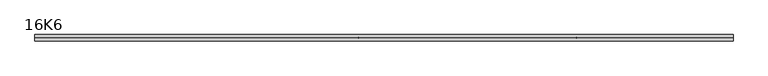
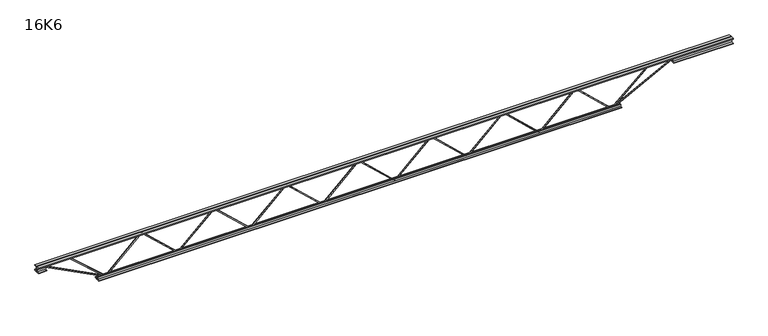
"""IFC4 building model written with IfcOpenShell, lengths in millimetres: beam geometry, 16K6."""

import ifcopenshell
import ifcopenshell.guid

model = None  # the IFC model being written
_history = None  # IfcOwnerHistory: only IFC2X3 demands one
_inside = {}  # id of a spatial element -> (the spatial element, [elements in it])
_under = {}  # id of a project, library or spatial element -> (it, [spatial elements below it])
_declared = {}  # id of a project -> (the project, [libraries it declares])
_typed = {}  # id of a type object -> (the type object, [elements of that type])
_made_of = {}  # id of a material, layer set ... -> (it, [elements and type objects made of it])


def new_model(schema):
    """Start an empty IFC model of exactly this schema.

    Asked for "IFC4X3", IfcOpenShell would pick the latest addendum, in which some entities
    have other attributes; the version numbers below select the first issue.
    IFC2X3 requires an IfcOwnerHistory on every rooted entity: one is made here for all.
    """
    global model, _history
    if schema == "IFC4X3":
        model = ifcopenshell.file(schema_version=(4, 3, 0, 0))
    else:
        model = ifcopenshell.file(schema=schema)
    _inside.clear()
    _under.clear()
    _declared.clear()
    _typed.clear()
    _made_of.clear()
    _history = None
    if model.schema == "IFC2X3":
        org = make("IfcOrganization", Name="unknown")
        user = make(
            "IfcPersonAndOrganization",
            ThePerson=make("IfcPerson", FamilyName="unknown"),
            TheOrganization=org,
        )
        app = make(
            "IfcApplication",
            ApplicationDeveloper=org,
            Version="unknown",
            ApplicationFullName="unknown",
            ApplicationIdentifier="unknown",
        )
        _history = make(
            "IfcOwnerHistory",
            OwningUser=user,
            OwningApplication=app,
            ChangeAction="ADDED",
            CreationDate=0,
        )
    return model


def make(cls, **values):
    """One entity of the class cls with the attributes given. An attribute that is None is left unset."""
    return model.create_entity(
        cls, **{name: value for name, value in values.items() if value is not None}
    )


def rooted(cls, **values):
    """An entity with a GlobalId (a new one), such as an element, a storey or a relation."""
    return make(cls, GlobalId=ifcopenshell.guid.new(), OwnerHistory=_history, **values)


def si_unit(unit_type, name, prefix=None):
    """IfcSIUnit, for example si_unit("LENGTHUNIT", "METRE", prefix="MILLI")."""
    return make("IfcSIUnit", UnitType=unit_type, Prefix=prefix, Name=name)


def assignment(units):
    """IfcUnitAssignment: the units of a project."""
    return None if units is None else make("IfcUnitAssignment", Units=units)


def point(xyz):
    """IfcCartesianPoint."""
    return None if xyz is None else make("IfcCartesianPoint", Coordinates=xyz)


def direction(xyz):
    """IfcDirection."""
    return None if xyz is None else make("IfcDirection", DirectionRatios=xyz)


def frame(location, z_axis=None, x_axis=None):
    """IfcAxis2Placement3D, a coordinate frame: its origin and axes. An axis left out is left unset."""
    return make(
        "IfcAxis2Placement3D",
        Location=point(location),
        Axis=direction(z_axis),
        RefDirection=direction(x_axis),
    )


def origin():
    """The frame at (0, 0, 0) with its axes left unset."""
    return frame((0.0, 0.0, 0.0))


def place(relative_to, where):
    """IfcLocalPlacement: puts the frame where relative to a parent placement (None: the world)."""
    return make(
        "IfcLocalPlacement", PlacementRelTo=relative_to, RelativePlacement=where
    )


def context(
    kind, dimensions, precision=None, world=None, true_north=None, identifier=None
):
    """IfcGeometricRepresentationContext, for example the 3D "Model" context."""
    return make(
        "IfcGeometricRepresentationContext",
        ContextIdentifier=identifier,
        ContextType=kind,
        CoordinateSpaceDimension=dimensions,
        Precision=precision,
        WorldCoordinateSystem=world,
        TrueNorth=true_north,
    )


def project(units=None, contexts=None):
    """IfcProject with its units and contexts."""
    return rooted(
        "IfcProject",
        Name="project",
        RepresentationContexts=contexts,
        UnitsInContext=assignment(units),
    )


def spatial(cls, under=None, at=None, **own):
    """A site, building, storey or space (cls), placed at a placement, below another one or the project."""
    s = rooted(cls, ObjectPlacement=at, **own)
    if under is not None:
        _under.setdefault(under.id(), (under, []))[1].append(s)
    return s


def polyline(points):
    """IfcPolyline through the points."""
    return make("IfcPolyline", Points=[point(p) for p in points])


def outline(outer, holes=None, kind="AREA"):
    """IfcArbitraryClosedProfileDef: a profile drawn as a closed curve; with holes, ...WithVoids."""
    if holes is None:
        return make("IfcArbitraryClosedProfileDef", ProfileType=kind, OuterCurve=outer)
    return make(
        "IfcArbitraryProfileDefWithVoids",
        ProfileType=kind,
        OuterCurve=outer,
        InnerCurves=holes,
    )


def extrude(swept, where, along, depth):
    """IfcExtrudedAreaSolid: the profile swept, set in the frame where, extruded along a direction by depth."""
    return make(
        "IfcExtrudedAreaSolid",
        SweptArea=swept,
        Position=where,
        ExtrudedDirection=direction(along),
        Depth=depth,
    )


def shape(context_of_items, identifier, shape_type, items):
    """IfcShapeRepresentation: the items that make up one representation, for example the "Body"."""
    return make(
        "IfcShapeRepresentation",
        ContextOfItems=context_of_items,
        RepresentationIdentifier=identifier,
        RepresentationType=shape_type,
        Items=items,
    )


def source(mapping_origin, context_of_items, identifier, shape_type, items):
    """IfcRepresentationMap: a shape defined once, which mapped items show again and again."""
    return make(
        "IfcRepresentationMap",
        MappingOrigin=mapping_origin,
        MappedRepresentation=shape(context_of_items, identifier, shape_type, items),
    )


def transform(
    local_origin,
    x_axis=None,
    y_axis=None,
    z_axis=None,
    scale=None,
    scale2=None,
    scale3=None,
    uniform=True,
):
    """IfcCartesianTransformationOperator3D, or its non-uniform kind. x_axis, y_axis, z_axis: its Axis1, 2, 3."""
    if uniform:
        return make(
            "IfcCartesianTransformationOperator3D",
            Axis1=direction(x_axis),
            Axis2=direction(y_axis),
            LocalOrigin=point(local_origin),
            Scale=scale,
            Axis3=direction(z_axis),
        )
    return make(
        "IfcCartesianTransformationOperator3DnonUniform",
        Axis1=direction(x_axis),
        Axis2=direction(y_axis),
        LocalOrigin=point(local_origin),
        Scale=scale,
        Axis3=direction(z_axis),
        Scale2=scale2,
        Scale3=scale3,
    )


def mapped(mapping_source, mapping_target):
    """IfcMappedItem: shows the shape of a source again, moved by a transform."""
    return make(
        "IfcMappedItem", MappingSource=mapping_source, MappingTarget=mapping_target
    )


def made_of(thing, what):
    """Note that an element or type object is made of a material, layer set ...; save() writes the relation."""
    if what is not None:
        _made_of.setdefault(what.id(), (what, []))[1].append(thing)
    return thing


def element(
    cls,
    number,
    at=None,
    inside=None,
    cuts=None,
    type_object=None,
    material=None,
    context=None,
    identifier="Body",
    shape_type=None,
    held_by="IfcProductDefinitionShape",
    body=None,
    shapes=None,
    **own,
):
    """One element of the class cls, such as IfcWall. Its Tag is "e" and its number.

    at: its placement. inside: the storey or other place that contains it. cuts: it is an
    opening in that element (IfcRelVoidsElement). A single representation is given by context,
    identifier, shape_type and body (its items); several are given by shapes. held_by: the class
    of the entity that holds the representations. save() writes the other relations.
    """
    e = rooted(cls, Tag="e%d" % number, ObjectPlacement=at, **own)
    if body is not None:
        shapes = [shape(context, identifier, shape_type, body)]
    if shapes is not None:
        e.Representation = make(held_by, Representations=shapes)
    if inside is not None:
        _inside.setdefault(inside.id(), (inside, []))[1].append(e)
    if cuts is not None:
        rooted(
            "IfcRelVoidsElement", RelatingBuildingElement=cuts, RelatedOpeningElement=e
        )
    if type_object is not None:
        _typed.setdefault(type_object.id(), (type_object, []))[1].append(e)
    return made_of(e, material)


def aggregate(whole, parts):
    """IfcRelAggregates: a whole, such as a stair, and the parts it consists of."""
    return rooted("IfcRelAggregates", RelatingObject=whole, RelatedObjects=parts)


def save(model, path):
    """Write the relations noted so far, then the file.

    IfcRelAggregates (storeys below a building ...), IfcRelContainedInSpatialStructure (elements
    in a storey), IfcRelDefinesByType, IfcRelAssociatesMaterial and IfcRelDeclares: one each for
    every whole, place, type object, material and project.
    """
    for whole, parts in _under.values():
        aggregate(whole, parts)
    for where, things in _inside.values():
        rooted(
            "IfcRelContainedInSpatialStructure",
            RelatedElements=things,
            RelatingStructure=where,
        )
    for kind, things in _typed.values():
        rooted("IfcRelDefinesByType", RelatedObjects=things, RelatingType=kind)
    for what, things in _made_of.values():
        rooted("IfcRelAssociatesMaterial", RelatedObjects=things, RelatingMaterial=what)
    for by, libraries in _declared.values():
        rooted("IfcRelDeclares", RelatingContext=by, RelatedDefinitions=libraries)
    model.write(path)


def beam_16k6_9ae82533(model_context):
    return source(origin(), model_context, "Body", "SweptSolid", [
        extrude(outline(polyline([(-191.9, 1280.452381), (-201.4, 1280.452381), (-201.4, 1285.5023042), (191.9, 1706.0808756), (191.9, 1708.6810291), (-201.4, 2129.2596006), (-201.4, 2134.3095238), (-191.9, 2134.3095238), (-191.9, 2133.0094471), (201.4, 1712.4308756), (201.4, 1702.3310291), (-191.9, 1281.7524577), (-191.9, 1280.452381)])), frame((0.0, -4.75, 0.0), z_axis=(0.0, 1.0, 0.0), x_axis=(0.0, 0.0, 1.0)), (0.0, 0.0, 1.0), 9.5),
        extrude(outline(polyline([(-191.9, 426.7619048), (-201.4, 426.7619048), (-201.4, 431.811828), (191.9, 852.3903994), (191.9, 854.9905529), (-201.4, 1275.5691244), (-201.4, 1280.6190476), (-191.9, 1280.6190476), (-191.9, 1279.3189709), (201.4, 858.7403994), (201.4, 848.6405529), (-191.9, 428.0619815), (-191.9, 426.7619048)])), frame((0.0, -4.75, 0.0), z_axis=(0.0, 1.0, 0.0), x_axis=(0.0, 0.0, 1.0)), (0.0, 0.0, 1.0), 9.5),
        extrude(outline(polyline([(-191.9, -426.9285714), (-201.4, -426.9285714), (-201.4, -421.8786482), (191.9, -1.3000768), (191.9, 1.3000768), (-201.4, 421.8786482), (-201.4, 426.9285714), (-191.9, 426.9285714), (-191.9, 425.6284947), (201.4, 5.0499232), (201.4, -5.0499232), (-191.9, -425.6284947), (-191.9, -426.9285714)])), frame((0.0, -4.75, 0.0), z_axis=(0.0, 1.0, 0.0), x_axis=(0.0, 0.0, 1.0)), (0.0, 0.0, 1.0), 9.5),
        extrude(outline(polyline([(-191.9, -1280.6190476), (-201.4, -1280.6190476), (-201.4, -1275.5691244), (191.9, -854.9905529), (191.9, -852.3903994), (-201.4, -431.811828), (-201.4, -426.7619048), (-191.9, -426.7619048), (-191.9, -428.0619815), (201.4, -848.6405529), (201.4, -858.7403994), (-191.9, -1279.3189709), (-191.9, -1280.6190476)])), frame((0.0, -4.75, 0.0), z_axis=(0.0, 1.0, 0.0), x_axis=(0.0, 0.0, 1.0)), (0.0, 0.0, 1.0), 9.5),
        extrude(outline(polyline([(-191.9, -2134.3095238), (-201.4, -2134.3095238), (-201.4, -2129.2596006), (191.9, -1708.6810291), (191.9, -1706.0808756), (-201.4, -1285.5023042), (-201.4, -1280.452381), (-191.9, -1280.452381), (-191.9, -1281.7524577), (201.4, -1702.3310291), (201.4, -1712.4308756), (-191.9, -2133.0094471), (-191.9, -2134.3095238)])), frame((0.0, -4.75, 0.0), z_axis=(0.0, 1.0, 0.0), x_axis=(0.0, 0.0, 1.0)), (0.0, 0.0, 1.0), 9.5),
        extrude(outline(polyline([(-191.9, 2134.1428571), (-201.4, 2134.1428571), (-201.4, 2139.1927804), (191.9, 2559.7713518), (191.9, 2562.3715053), (-201.4, 2982.9500768), (-201.4, 2988.0), (-191.9, 2988.0), (-191.9, 2986.6999232), (201.4, 2566.1213518), (201.4, 2556.0215053), (-191.9, 2135.4429339), (-191.9, 2134.1428571)])), frame((0.0, -4.75, 0.0), z_axis=(0.0, 1.0, 0.0), x_axis=(0.0, 0.0, 1.0)), (0.0, 0.0, 1.0), 9.5),
        extrude(outline(polyline([(-191.9, -2988.0), (-201.4, -2988.0), (-201.4, -2982.9500768), (191.9, -2562.3715053), (191.9, -2559.7713518), (-201.4, -2139.1927804), (-201.4, -2134.1428571), (-191.9, -2134.1428571), (-191.9, -2135.4429339), (201.4, -2556.0215053), (201.4, -2566.1213518), (-191.9, -2986.6999232), (-191.9, -2988.0)])), frame((0.0, -4.75, 0.0), z_axis=(0.0, 1.0, 0.0), x_axis=(0.0, 0.0, 1.0)), (0.0, 0.0, 1.0), 9.5),
        extrude(outline(polyline([(4.75, 203.0), (36.75, 203.0), (36.75, 196.5), (11.25, 196.5), (11.25, 171.0), (4.75, 171.0), (4.75, 203.0)])), frame((-3800.0, 0.0, 0.0), z_axis=(1.0, 0.0, 0.0), x_axis=(0.0, 1.0, 0.0)), (0.0, 0.0, 1.0), 8200.0),
        extrude(outline(polyline([(-4.75, 203.0), (-4.75, 171.0), (-11.25, 171.0), (-11.25, 196.5), (-36.75, 196.5), (-36.75, 203.0), (-4.75, 203.0)])), frame((-3800.0, 0.0, 0.0), z_axis=(1.0, 0.0, 0.0), x_axis=(0.0, 1.0, 0.0)), (0.0, 0.0, 1.0), 8200.0),
        extrude(outline(polyline([(-4.75, 139.5), (-36.75, 139.5), (-36.75, 146.0), (-11.25, 146.0), (-11.25, 171.0), (-4.75, 171.0), (-4.75, 139.5)])), frame((-3800.0, 0.0, 0.0), z_axis=(1.0, 0.0, 0.0), x_axis=(0.0, 1.0, 0.0)), (0.0, 0.0, 1.0), 100.0),
        extrude(outline(polyline([(36.75, 139.5), (4.75, 139.5), (4.75, 171.0), (11.25, 171.0), (11.25, 146.0), (36.75, 146.0), (36.75, 139.5)])), frame((-3800.0, 0.0, 0.0), z_axis=(1.0, 0.0, 0.0), x_axis=(0.0, 1.0, 0.0)), (0.0, 0.0, 1.0), 100.0),
        extrude(outline(polyline([(4.75, 139.5), (4.75, 171.0), (11.25, 171.0), (11.25, 146.0), (36.75, 146.0), (36.75, 139.5), (4.75, 139.5)])), frame((3700.0, 0.0, 0.0), z_axis=(1.0, 0.0, 0.0), x_axis=(0.0, 1.0, 0.0)), (0.0, 0.0, 1.0), 700.0),
        extrude(outline(polyline([(-4.75, 139.5), (-36.75, 139.5), (-36.75, 146.0), (-11.25, 146.0), (-11.25, 171.0), (-4.75, 171.0), (-4.75, 139.5)])), frame((3700.0, 0.0, 0.0), z_axis=(1.0, 0.0, 0.0), x_axis=(0.0, 1.0, 0.0)), (0.0, 0.0, 1.0), 700.0),
        extrude(outline(polyline([(4.75, -203.0), (4.75, -171.0), (11.25, -171.0), (11.25, -196.5), (36.75, -196.5), (36.75, -203.0), (4.75, -203.0)])), frame((-3088.0, 0.0, 0.0), z_axis=(1.0, 0.0, 0.0), x_axis=(0.0, 1.0, 0.0)), (0.0, 0.0, 1.0), 6176.0),
        extrude(outline(polyline([(-4.75, -203.0), (-36.75, -203.0), (-36.75, -196.5), (-11.25, -196.5), (-11.25, -171.0), (-4.75, -171.0), (-4.75, -203.0)])), frame((-3088.0, 0.0, 0.0), z_axis=(1.0, 0.0, 0.0), x_axis=(0.0, 1.0, 0.0)), (0.0, 0.0, 1.0), 6176.0),
        extrude(outline(polyline([(-200.8705467, -2990.1793315), (-192.4294533, -2985.8206685), (175.75, -3698.8460208), (175.75, -3800.0), (166.25, -3800.0), (166.25, -3701.1539792), (-200.8705467, -2990.1793315)])), frame((0.0, -4.75, 0.0), z_axis=(0.0, 1.0, 0.0), x_axis=(0.0, 0.0, 1.0)), (0.0, 0.0, 1.0), 9.5),
        extrude(outline(polyline([(188.7, -3434.8857143), (179.2, -3434.8857143), (179.2, -3423.9728852), (-200.2219349, -2991.131099), (-193.0780651, -2984.868901), (188.7, -3420.3985434), (188.7, -3434.8857143)])), frame((0.0, -4.75, 0.0), z_axis=(0.0, 1.0, 0.0), x_axis=(0.0, 0.0, 1.0)), (0.0, 0.0, 1.0), 9.5),
        extrude(outline(polyline([(0.0, -9.5), (0.0, 0.0), (801.3179909, 0.0), (801.3179909, -9.5), (0.0, -9.5)])), frame((3702.1793315, -4.75, 166.7794533), z_axis=(-0.4588066213244966, 0.0, 0.8885361468329807), x_axis=(-0.8885361468329807, 0.0, -0.4588066213244966)), (0.0, 0.0, 1.0), 9.5),
        extrude(outline(polyline([(0.0, -9.5), (0.0, 0.0), (591.233191, 0.0), (591.233191, -9.5), (0.0, -9.5)])), frame((3432.602651, -4.75, 193.1034238), z_axis=(-0.6652197576135346, 0.0, 0.7466476237694661), x_axis=(-0.7466476237694661, 0.0, -0.6652197576135346)), (0.0, 0.0, 1.0), 9.5),
    ])


if __name__ == "__main__":
    model = new_model("IFC4")
    model_context = context("Model", 3, world=origin())
    ifc_project = project(units=[si_unit("LENGTHUNIT", "METRE", prefix="MILLI")], contexts=[model_context])
    site = spatial("IfcSite", under=ifc_project)
    building = spatial("IfcBuilding", under=site)
    placement = place(None, origin())
    beam_16k6_shape = beam_16k6_9ae82533(model_context)
    element("IfcBeam", 1, ObjectType="16K6", at=placement, inside=building, context=model_context, shape_type="MappedRepresentation", body=[
        mapped(beam_16k6_shape, transform((0.0, 0.0, 0.0), x_axis=(1.0, 0.0, 0.0), y_axis=(0.0, 1.0, 0.0), z_axis=(0.0, 0.0, 1.0))),
    ])
    save(model, "model.ifc")
